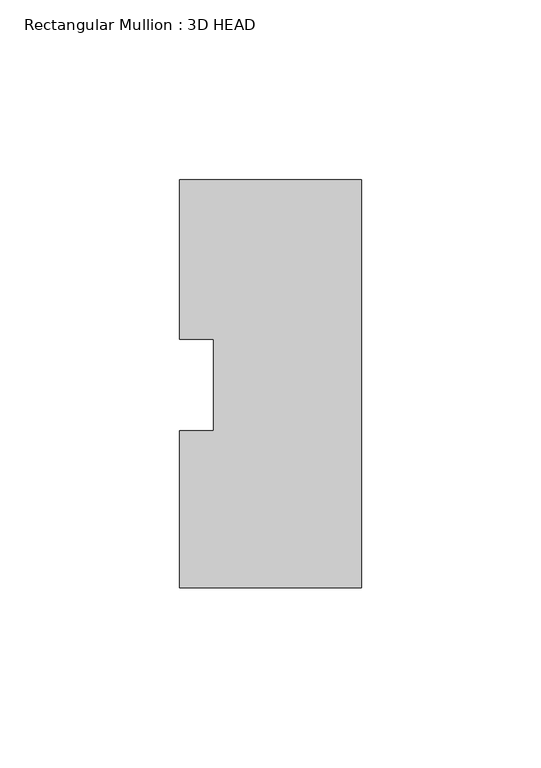
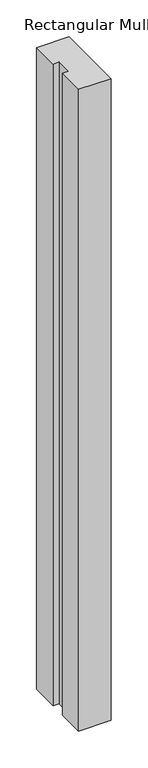
"""IFC4 building model written with IfcOpenShell, lengths in millimetres: member geometry, Rectangular Mullion : 3D HEAD."""

import ifcopenshell
import ifcopenshell.guid

model = None  # the IFC model being written
_history = None  # IfcOwnerHistory: only IFC2X3 demands one
_inside = {}  # id of a spatial element -> (the spatial element, [elements in it])
_under = {}  # id of a project, library or spatial element -> (it, [spatial elements below it])
_declared = {}  # id of a project -> (the project, [libraries it declares])
_typed = {}  # id of a type object -> (the type object, [elements of that type])
_made_of = {}  # id of a material, layer set ... -> (it, [elements and type objects made of it])


def new_model(schema):
    """Start an empty IFC model of exactly this schema.

    Asked for "IFC4X3", IfcOpenShell would pick the latest addendum, in which some entities
    have other attributes; the version numbers below select the first issue.
    IFC2X3 requires an IfcOwnerHistory on every rooted entity: one is made here for all.
    """
    global model, _history
    if schema == "IFC4X3":
        model = ifcopenshell.file(schema_version=(4, 3, 0, 0))
    else:
        model = ifcopenshell.file(schema=schema)
    _inside.clear()
    _under.clear()
    _declared.clear()
    _typed.clear()
    _made_of.clear()
    _history = None
    if model.schema == "IFC2X3":
        org = make("IfcOrganization", Name="unknown")
        user = make(
            "IfcPersonAndOrganization",
            ThePerson=make("IfcPerson", FamilyName="unknown"),
            TheOrganization=org,
        )
        app = make(
            "IfcApplication",
            ApplicationDeveloper=org,
            Version="unknown",
            ApplicationFullName="unknown",
            ApplicationIdentifier="unknown",
        )
        _history = make(
            "IfcOwnerHistory",
            OwningUser=user,
            OwningApplication=app,
            ChangeAction="ADDED",
            CreationDate=0,
        )
    return model


def make(cls, **values):
    """One entity of the class cls with the attributes given. An attribute that is None is left unset."""
    return model.create_entity(
        cls, **{name: value for name, value in values.items() if value is not None}
    )


def rooted(cls, **values):
    """An entity with a GlobalId (a new one), such as an element, a storey or a relation."""
    return make(cls, GlobalId=ifcopenshell.guid.new(), OwnerHistory=_history, **values)


def si_unit(unit_type, name, prefix=None):
    """IfcSIUnit, for example si_unit("LENGTHUNIT", "METRE", prefix="MILLI")."""
    return make("IfcSIUnit", UnitType=unit_type, Prefix=prefix, Name=name)


def assignment(units):
    """IfcUnitAssignment: the units of a project."""
    return None if units is None else make("IfcUnitAssignment", Units=units)


def point(xyz):
    """IfcCartesianPoint."""
    return None if xyz is None else make("IfcCartesianPoint", Coordinates=xyz)


def direction(xyz):
    """IfcDirection."""
    return None if xyz is None else make("IfcDirection", DirectionRatios=xyz)


def frame(location, z_axis=None, x_axis=None):
    """IfcAxis2Placement3D, a coordinate frame: its origin and axes. An axis left out is left unset."""
    return make(
        "IfcAxis2Placement3D",
        Location=point(location),
        Axis=direction(z_axis),
        RefDirection=direction(x_axis),
    )


def origin():
    """The frame at (0, 0, 0) with its axes left unset."""
    return frame((0.0, 0.0, 0.0))


def place(relative_to, where):
    """IfcLocalPlacement: puts the frame where relative to a parent placement (None: the world)."""
    return make(
        "IfcLocalPlacement", PlacementRelTo=relative_to, RelativePlacement=where
    )


def context(
    kind, dimensions, precision=None, world=None, true_north=None, identifier=None
):
    """IfcGeometricRepresentationContext, for example the 3D "Model" context."""
    return make(
        "IfcGeometricRepresentationContext",
        ContextIdentifier=identifier,
        ContextType=kind,
        CoordinateSpaceDimension=dimensions,
        Precision=precision,
        WorldCoordinateSystem=world,
        TrueNorth=true_north,
    )


def project(units=None, contexts=None):
    """IfcProject with its units and contexts."""
    return rooted(
        "IfcProject",
        Name="project",
        RepresentationContexts=contexts,
        UnitsInContext=assignment(units),
    )


def spatial(cls, under=None, at=None, **own):
    """A site, building, storey or space (cls), placed at a placement, below another one or the project."""
    s = rooted(cls, ObjectPlacement=at, **own)
    if under is not None:
        _under.setdefault(under.id(), (under, []))[1].append(s)
    return s


def polyline(points):
    """IfcPolyline through the points."""
    return make("IfcPolyline", Points=[point(p) for p in points])


def outline(outer, holes=None, kind="AREA"):
    """IfcArbitraryClosedProfileDef: a profile drawn as a closed curve; with holes, ...WithVoids."""
    if holes is None:
        return make("IfcArbitraryClosedProfileDef", ProfileType=kind, OuterCurve=outer)
    return make(
        "IfcArbitraryProfileDefWithVoids",
        ProfileType=kind,
        OuterCurve=outer,
        InnerCurves=holes,
    )


def extrude(swept, where, along, depth):
    """IfcExtrudedAreaSolid: the profile swept, set in the frame where, extruded along a direction by depth."""
    return make(
        "IfcExtrudedAreaSolid",
        SweptArea=swept,
        Position=where,
        ExtrudedDirection=direction(along),
        Depth=depth,
    )


def shape(context_of_items, identifier, shape_type, items):
    """IfcShapeRepresentation: the items that make up one representation, for example the "Body"."""
    return make(
        "IfcShapeRepresentation",
        ContextOfItems=context_of_items,
        RepresentationIdentifier=identifier,
        RepresentationType=shape_type,
        Items=items,
    )


def source(mapping_origin, context_of_items, identifier, shape_type, items):
    """IfcRepresentationMap: a shape defined once, which mapped items show again and again."""
    return make(
        "IfcRepresentationMap",
        MappingOrigin=mapping_origin,
        MappedRepresentation=shape(context_of_items, identifier, shape_type, items),
    )


def transform(
    local_origin,
    x_axis=None,
    y_axis=None,
    z_axis=None,
    scale=None,
    scale2=None,
    scale3=None,
    uniform=True,
):
    """IfcCartesianTransformationOperator3D, or its non-uniform kind. x_axis, y_axis, z_axis: its Axis1, 2, 3."""
    if uniform:
        return make(
            "IfcCartesianTransformationOperator3D",
            Axis1=direction(x_axis),
            Axis2=direction(y_axis),
            LocalOrigin=point(local_origin),
            Scale=scale,
            Axis3=direction(z_axis),
        )
    return make(
        "IfcCartesianTransformationOperator3DnonUniform",
        Axis1=direction(x_axis),
        Axis2=direction(y_axis),
        LocalOrigin=point(local_origin),
        Scale=scale,
        Axis3=direction(z_axis),
        Scale2=scale2,
        Scale3=scale3,
    )


def mapped(mapping_source, mapping_target):
    """IfcMappedItem: shows the shape of a source again, moved by a transform."""
    return make(
        "IfcMappedItem", MappingSource=mapping_source, MappingTarget=mapping_target
    )


def made_of(thing, what):
    """Note that an element or type object is made of a material, layer set ...; save() writes the relation."""
    if what is not None:
        _made_of.setdefault(what.id(), (what, []))[1].append(thing)
    return thing


def element(
    cls,
    number,
    at=None,
    inside=None,
    cuts=None,
    type_object=None,
    material=None,
    context=None,
    identifier="Body",
    shape_type=None,
    held_by="IfcProductDefinitionShape",
    body=None,
    shapes=None,
    **own,
):
    """One element of the class cls, such as IfcWall. Its Tag is "e" and its number.

    at: its placement. inside: the storey or other place that contains it. cuts: it is an
    opening in that element (IfcRelVoidsElement). A single representation is given by context,
    identifier, shape_type and body (its items); several are given by shapes. held_by: the class
    of the entity that holds the representations. save() writes the other relations.
    """
    e = rooted(cls, Tag="e%d" % number, ObjectPlacement=at, **own)
    if body is not None:
        shapes = [shape(context, identifier, shape_type, body)]
    if shapes is not None:
        e.Representation = make(held_by, Representations=shapes)
    if inside is not None:
        _inside.setdefault(inside.id(), (inside, []))[1].append(e)
    if cuts is not None:
        rooted(
            "IfcRelVoidsElement", RelatingBuildingElement=cuts, RelatedOpeningElement=e
        )
    if type_object is not None:
        _typed.setdefault(type_object.id(), (type_object, []))[1].append(e)
    return made_of(e, material)


def aggregate(whole, parts):
    """IfcRelAggregates: a whole, such as a stair, and the parts it consists of."""
    return rooted("IfcRelAggregates", RelatingObject=whole, RelatedObjects=parts)


def save(model, path):
    """Write the relations noted so far, then the file.

    IfcRelAggregates (storeys below a building ...), IfcRelContainedInSpatialStructure (elements
    in a storey), IfcRelDefinesByType, IfcRelAssociatesMaterial and IfcRelDeclares: one each for
    every whole, place, type object, material and project.
    """
    for whole, parts in _under.values():
        aggregate(whole, parts)
    for where, things in _inside.values():
        rooted(
            "IfcRelContainedInSpatialStructure",
            RelatedElements=things,
            RelatingStructure=where,
        )
    for kind, things in _typed.values():
        rooted("IfcRelDefinesByType", RelatedObjects=things, RelatingType=kind)
    for what, things in _made_of.values():
        rooted("IfcRelAssociatesMaterial", RelatedObjects=things, RelatingMaterial=what)
    for by, libraries in _declared.values():
        rooted("IfcRelDeclares", RelatingContext=by, RelatedDefinitions=libraries)
    model.write(path)


def rectangular_mullion_3d_head_2dc8c049(model_context):
    return source(origin(), model_context, "Body", "SweptSolid", [
        extrude(outline(polyline([(0.0, -56.4681052), (-50.8, -56.4681052), (-50.8, -12.6827714), (-41.275, -12.6827714), (-41.275, 12.8118553), (-50.8, 12.8118553), (-50.8, 57.2618553), (0.0, 57.2618553), (0.0, -56.4681052)])), frame((0.0, 0.0, -1060.45), z_axis=(0.0, 0.0, 1.0), x_axis=(1.0, 0.0, 0.0)), (0.0, 0.0, 1.0), 1060.45),
    ])


if __name__ == "__main__":
    model = new_model("IFC4")
    model_context = context("Model", 3, world=origin())
    ifc_project = project(units=[si_unit("LENGTHUNIT", "METRE", prefix="MILLI")], contexts=[model_context])
    site = spatial("IfcSite", under=ifc_project)
    building = spatial("IfcBuilding", under=site)
    placement = place(None, origin())
    rectangular_mullion_3d_head_shape = rectangular_mullion_3d_head_2dc8c049(model_context)
    element("IfcMember", 1, ObjectType="Rectangular Mullion : 3D HEAD", at=placement, inside=building, context=model_context, shape_type="MappedRepresentation", body=[
        mapped(rectangular_mullion_3d_head_shape, transform((0.0, 0.0, 0.0), x_axis=(1.0, 0.0, 0.0), y_axis=(0.0, 1.0, 0.0), z_axis=(0.0, 0.0, 1.0))),
    ])
    save(model, "model.ifc")
